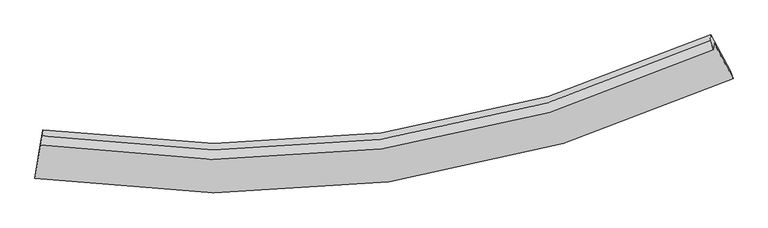
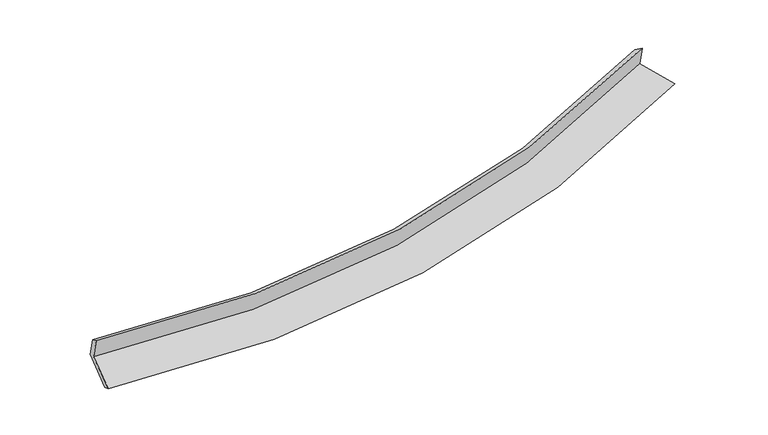
"""IFC4 building model written with IfcOpenShell, lengths in millimetres: proxy geometry."""

import ifcopenshell
import ifcopenshell.guid

model = None  # the IFC model being written
_history = None  # IfcOwnerHistory: only IFC2X3 demands one
_inside = {}  # id of a spatial element -> (the spatial element, [elements in it])
_under = {}  # id of a project, library or spatial element -> (it, [spatial elements below it])
_declared = {}  # id of a project -> (the project, [libraries it declares])
_typed = {}  # id of a type object -> (the type object, [elements of that type])
_made_of = {}  # id of a material, layer set ... -> (it, [elements and type objects made of it])


def new_model(schema):
    """Start an empty IFC model of exactly this schema.

    Asked for "IFC4X3", IfcOpenShell would pick the latest addendum, in which some entities
    have other attributes; the version numbers below select the first issue.
    IFC2X3 requires an IfcOwnerHistory on every rooted entity: one is made here for all.
    """
    global model, _history
    if schema == "IFC4X3":
        model = ifcopenshell.file(schema_version=(4, 3, 0, 0))
    else:
        model = ifcopenshell.file(schema=schema)
    _inside.clear()
    _under.clear()
    _declared.clear()
    _typed.clear()
    _made_of.clear()
    _history = None
    if model.schema == "IFC2X3":
        org = make("IfcOrganization", Name="unknown")
        user = make(
            "IfcPersonAndOrganization",
            ThePerson=make("IfcPerson", FamilyName="unknown"),
            TheOrganization=org,
        )
        app = make(
            "IfcApplication",
            ApplicationDeveloper=org,
            Version="unknown",
            ApplicationFullName="unknown",
            ApplicationIdentifier="unknown",
        )
        _history = make(
            "IfcOwnerHistory",
            OwningUser=user,
            OwningApplication=app,
            ChangeAction="ADDED",
            CreationDate=0,
        )
    return model


def make(cls, **values):
    """One entity of the class cls with the attributes given. An attribute that is None is left unset."""
    return model.create_entity(
        cls, **{name: value for name, value in values.items() if value is not None}
    )


def rooted(cls, **values):
    """An entity with a GlobalId (a new one), such as an element, a storey or a relation."""
    return make(cls, GlobalId=ifcopenshell.guid.new(), OwnerHistory=_history, **values)


def si_unit(unit_type, name, prefix=None):
    """IfcSIUnit, for example si_unit("LENGTHUNIT", "METRE", prefix="MILLI")."""
    return make("IfcSIUnit", UnitType=unit_type, Prefix=prefix, Name=name)


def assignment(units):
    """IfcUnitAssignment: the units of a project."""
    return None if units is None else make("IfcUnitAssignment", Units=units)


def point(xyz):
    """IfcCartesianPoint."""
    return None if xyz is None else make("IfcCartesianPoint", Coordinates=xyz)


def direction(xyz):
    """IfcDirection."""
    return None if xyz is None else make("IfcDirection", DirectionRatios=xyz)


def frame(location, z_axis=None, x_axis=None):
    """IfcAxis2Placement3D, a coordinate frame: its origin and axes. An axis left out is left unset."""
    return make(
        "IfcAxis2Placement3D",
        Location=point(location),
        Axis=direction(z_axis),
        RefDirection=direction(x_axis),
    )


def origin():
    """The frame at (0, 0, 0) with its axes left unset."""
    return frame((0.0, 0.0, 0.0))


def place(relative_to, where):
    """IfcLocalPlacement: puts the frame where relative to a parent placement (None: the world)."""
    return make(
        "IfcLocalPlacement", PlacementRelTo=relative_to, RelativePlacement=where
    )


def context(
    kind, dimensions, precision=None, world=None, true_north=None, identifier=None
):
    """IfcGeometricRepresentationContext, for example the 3D "Model" context."""
    return make(
        "IfcGeometricRepresentationContext",
        ContextIdentifier=identifier,
        ContextType=kind,
        CoordinateSpaceDimension=dimensions,
        Precision=precision,
        WorldCoordinateSystem=world,
        TrueNorth=true_north,
    )


def project(units=None, contexts=None):
    """IfcProject with its units and contexts."""
    return rooted(
        "IfcProject",
        Name="project",
        RepresentationContexts=contexts,
        UnitsInContext=assignment(units),
    )


def spatial(cls, under=None, at=None, **own):
    """A site, building, storey or space (cls), placed at a placement, below another one or the project."""
    s = rooted(cls, ObjectPlacement=at, **own)
    if under is not None:
        _under.setdefault(under.id(), (under, []))[1].append(s)
    return s


def shape(context_of_items, identifier, shape_type, items):
    """IfcShapeRepresentation: the items that make up one representation, for example the "Body"."""
    return make(
        "IfcShapeRepresentation",
        ContextOfItems=context_of_items,
        RepresentationIdentifier=identifier,
        RepresentationType=shape_type,
        Items=items,
    )


def source(mapping_origin, context_of_items, identifier, shape_type, items):
    """IfcRepresentationMap: a shape defined once, which mapped items show again and again."""
    return make(
        "IfcRepresentationMap",
        MappingOrigin=mapping_origin,
        MappedRepresentation=shape(context_of_items, identifier, shape_type, items),
    )


def transform(
    local_origin,
    x_axis=None,
    y_axis=None,
    z_axis=None,
    scale=None,
    scale2=None,
    scale3=None,
    uniform=True,
):
    """IfcCartesianTransformationOperator3D, or its non-uniform kind. x_axis, y_axis, z_axis: its Axis1, 2, 3."""
    if uniform:
        return make(
            "IfcCartesianTransformationOperator3D",
            Axis1=direction(x_axis),
            Axis2=direction(y_axis),
            LocalOrigin=point(local_origin),
            Scale=scale,
            Axis3=direction(z_axis),
        )
    return make(
        "IfcCartesianTransformationOperator3DnonUniform",
        Axis1=direction(x_axis),
        Axis2=direction(y_axis),
        LocalOrigin=point(local_origin),
        Scale=scale,
        Axis3=direction(z_axis),
        Scale2=scale2,
        Scale3=scale3,
    )


def mapped(mapping_source, mapping_target):
    """IfcMappedItem: shows the shape of a source again, moved by a transform."""
    return make(
        "IfcMappedItem", MappingSource=mapping_source, MappingTarget=mapping_target
    )


def made_of(thing, what):
    """Note that an element or type object is made of a material, layer set ...; save() writes the relation."""
    if what is not None:
        _made_of.setdefault(what.id(), (what, []))[1].append(thing)
    return thing


def element(
    cls,
    number,
    at=None,
    inside=None,
    cuts=None,
    type_object=None,
    material=None,
    context=None,
    identifier="Body",
    shape_type=None,
    held_by="IfcProductDefinitionShape",
    body=None,
    shapes=None,
    **own,
):
    """One element of the class cls, such as IfcWall. Its Tag is "e" and its number.

    at: its placement. inside: the storey or other place that contains it. cuts: it is an
    opening in that element (IfcRelVoidsElement). A single representation is given by context,
    identifier, shape_type and body (its items); several are given by shapes. held_by: the class
    of the entity that holds the representations. save() writes the other relations.
    """
    e = rooted(cls, Tag="e%d" % number, ObjectPlacement=at, **own)
    if body is not None:
        shapes = [shape(context, identifier, shape_type, body)]
    if shapes is not None:
        e.Representation = make(held_by, Representations=shapes)
    if inside is not None:
        _inside.setdefault(inside.id(), (inside, []))[1].append(e)
    if cuts is not None:
        rooted(
            "IfcRelVoidsElement", RelatingBuildingElement=cuts, RelatedOpeningElement=e
        )
    if type_object is not None:
        _typed.setdefault(type_object.id(), (type_object, []))[1].append(e)
    return made_of(e, material)


def aggregate(whole, parts):
    """IfcRelAggregates: a whole, such as a stair, and the parts it consists of."""
    return rooted("IfcRelAggregates", RelatingObject=whole, RelatedObjects=parts)


def save(model, path):
    """Write the relations noted so far, then the file.

    IfcRelAggregates (storeys below a building ...), IfcRelContainedInSpatialStructure (elements
    in a storey), IfcRelDefinesByType, IfcRelAssociatesMaterial and IfcRelDeclares: one each for
    every whole, place, type object, material and project.
    """
    for whole, parts in _under.values():
        aggregate(whole, parts)
    for where, things in _inside.values():
        rooted(
            "IfcRelContainedInSpatialStructure",
            RelatedElements=things,
            RelatingStructure=where,
        )
    for kind, things in _typed.values():
        rooted("IfcRelDefinesByType", RelatedObjects=things, RelatingType=kind)
    for what, things in _made_of.values():
        rooted("IfcRelAssociatesMaterial", RelatedObjects=things, RelatingMaterial=what)
    for by, libraries in _declared.values():
        rooted("IfcRelDeclares", RelatingContext=by, RelatedDefinitions=libraries)
    model.write(path)


def plane_surface(at):
    """IfcPlane: the flat surface through the origin of the frame at, square to its z axis."""
    return make("IfcPlane", Position=at)


def spline_curve(degree, points, multiplicities, knots, weights=None):
    """IfcBSplineCurveWithKnots; with weights, IfcRationalBSplineCurveWithKnots."""
    own = dict(
        Degree=degree,
        ControlPointsList=[point(p) for p in points],
        CurveForm="UNSPECIFIED",
        ClosedCurve=False,
        SelfIntersect=False,
        KnotMultiplicities=multiplicities,
        Knots=knots,
        KnotSpec="UNSPECIFIED",
    )
    if weights is None:
        return make("IfcBSplineCurveWithKnots", **own)
    return make("IfcRationalBSplineCurveWithKnots", WeightsData=weights, **own)


def spline_surface(u_degree, v_degree, points, u_multiplicities, v_multiplicities, u_knots, v_knots, weights=None):
    """IfcBSplineSurfaceWithKnots; with weights, IfcRationalBSplineSurfaceWithKnots. points: one row for each step in u."""
    own = dict(
        UDegree=u_degree,
        VDegree=v_degree,
        ControlPointsList=[[point(p) for p in row] for row in points],
        SurfaceForm="UNSPECIFIED",
        UClosed=False,
        VClosed=False,
        SelfIntersect=False,
        UMultiplicities=u_multiplicities,
        VMultiplicities=v_multiplicities,
        UKnots=u_knots,
        VKnots=v_knots,
        KnotSpec="UNSPECIFIED",
    )
    if weights is None:
        return make("IfcBSplineSurfaceWithKnots", **own)
    return make("IfcRationalBSplineSurfaceWithKnots", WeightsData=weights, **own)


def advanced_brep(points, edges, surfaces, faces):
    """IfcAdvancedBrep: a solid bounded by faces that lie on surfaces and meet in shared edges.

    An edge is (start, end): straight between two places in points (the first is 0);
    or (start, end, curve); or (start, end, curve, False) where it runs against its curve.
    A face is (place in surfaces, loops), or (place, loops, False) where it looks against
    its surface's normal. A loop lists edges by number (the first is 1), with a minus sign
    where the edge is run from its end to its start. The first loop is the outer one.
    """
    corners = [point(p) for p in points]
    vertices = [make("IfcVertexPoint", VertexGeometry=c) for c in corners]
    made = []
    for start, end, *more in edges:
        made.append(
            make(
                "IfcEdgeCurve",
                EdgeStart=vertices[start],
                EdgeEnd=vertices[end],
                EdgeGeometry=more[0] if more else make("IfcPolyline", Points=[corners[start], corners[end]]),
                SameSense=more[1] if len(more) > 1 else True,
            )
        )
    hull = []
    for where, loops, *sense in faces:
        bounds = []
        for j, loop in enumerate(loops):
            ring = [make("IfcOrientedEdge", EdgeElement=made[abs(k) - 1], Orientation=k > 0) for k in loop]
            bounds.append(
                make(
                    "IfcFaceOuterBound" if j == 0 else "IfcFaceBound",
                    Bound=make("IfcEdgeLoop", EdgeList=ring),
                    Orientation=True,
                )
            )
        hull.append(make("IfcAdvancedFace", Bounds=bounds, FaceSurface=surfaces[where], SameSense=sense[0] if sense else True))
    return make("IfcAdvancedBrep", Outer=make("IfcClosedShell", CfsFaces=hull))


def generic_models_414c61b4(model_context):
    return source(origin(), model_context, "Body", "AdvancedBrep", [
        advanced_brep(
        [(-5507.8126573, -1974.5588353, 1539.5906499), (-5611.5593312, -2624.4499346, 1349.7993173), (5707.5037648, -1005.5635864, 2313.1205131), (5399.6651034, -426.177369, 2465.5344738), (-5523.5952107, -2081.9518213, 1915.9573265), (5384.3106562, -530.657291, 2831.6921018), (-5500.95643, -1937.755664, 1844.1768846), (5333.7045539, -391.2099665, 2737.9240611), (-5486.5846077, -1839.9620511, 1501.4519221), (5348.1663007, -292.8044586, 2393.0546673), (-5588.6772622, -2478.7774088, 1280.7278446), (5657.5532096, -870.4519033, 2227.3664044)],
        [
            (0, 1),
            (1, 2, spline_curve(3, [(-5611.5593312, -2624.4499346, 1349.7993173), (-3653.826721153, -2921.730454752, 1376.583301994), (-1741.316712456, -2939.929170098, 1468.685351825), (2033.683591201, -2412.515049972, 1786.933620484), (3894.194614999, -1854.687552482, 2015.938635557), (5707.5037648, -1005.5635864, 2313.1205131)], [4, 2, 4], [0.0, 18.5016471208041, 37.403842209263345])),
            (2, 3),
            (3, 0, spline_curve(3, [(5399.6651034, -426.177369, 2465.5344738), (3651.83630397, -1247.974680522, 2178.895873345), (1858.752154105, -1786.283251819, 1958.287892857), (-1778.971416802, -2290.523138261, 1652.408751897), (-3621.713187088, -2268.341722674, 1564.368790856), (-5507.8126573, -1974.5588353, 1539.5906499)], [4, 2, 4], [0.0, 18.902195088459244, 37.403842209263345])),
            (4, 0),
            (3, 5),
            (5, 4, spline_curve(3, [(5384.3106562, -530.657291, 2831.6921018), (3636.155369995, -1354.676195955, 2552.83923805), (1842.87328048, -1894.33165024, 2336.95151106), (-1794.98760135, -2399.505879805, 2034.346844602), (-3637.674134691, -2376.948601922, 1944.989646344), (-5523.5952107, -2081.9518213, 1915.9573265)], [4, 2, 4], [0.0, 18.55280408922581, 36.71246399929855])),
            (6, 4),
            (5, 7),
            (7, 6, spline_curve(3, [(5333.7045539, -391.2099665, 2737.9240611), (3597.0022439, -1203.828622731, 2456.90740188), (1815.620486493, -1737.440736518, 2241.821115724), (-1797.806676867, -2241.256648395, 1946.66998715), (-3627.978580285, -2223.15976665, 1863.840547381), (-5500.95643, -1937.755664, 1844.1768846)], [4, 2, 4], [0.0, 18.48824604126271, 36.58471592411208])),
            (8, 6),
            (7, 9),
            (9, 8, spline_curve(3, [(5348.1663007, -292.8044586, 2393.0546673), (3612.291547985, -1099.791969871, 2092.303243331), (1831.311482907, -1630.670751992, 1867.6377933), (-1782.163512459, -2134.812139686, 1573.627319995), (-3612.767083519, -2119.652555298, 1501.091855701), (-5486.5846077, -1839.9620511, 1501.4519221)], [4, 2, 4], [0.0, 18.42338593909466, 36.456370141211366])),
            (10, 8),
            (9, 11),
            (11, 10, spline_curve(3, [(5657.5532096, -870.4519033, 2227.3664044), (3854.889572935, -1706.051969606, 1928.471592882), (2005.844378193, -2256.290910057, 1700.039436797), (-1744.843986842, -2780.433629785, 1387.447894706), (-3644.542282517, -2766.30319189, 1300.333864805), (-5588.6772622, -2478.7774088, 1280.7278446)], [4, 2, 4], [0.0, 18.772287077741957, 37.146779010420616])),
            (1, 10),
            (11, 2),
        ],
        [
            spline_surface(3, 3, [[(-5507.8126573, -1974.5588353, 1539.5906499), (-3621.713186815, -2268.341722914, 1564.368791011), (-1778.971416667, -2290.523138379, 1652.408751913), (1858.752153967, -1786.283251699, 1958.287892841), (3651.836304, -1247.974680797, 2178.895873272), (5399.6651034, -426.177369, 2465.5344738)], [(-5542.394881905, -2191.189201721, 1476.326872351), (-3632.417698189, -2486.137966866, 1501.77362795), (-1766.419848689, -2506.991815567, 1591.167618585), (1917.062633108, -1995.027184503, 1901.169802056), (3732.622407703, -1450.212304605, 2124.576794087), (5502.277990537, -619.306108142, 2414.729820249)], [(-5576.977106595, -2407.819568179, 1413.063094849), (-3643.122209649, -2703.934210854, 1439.178464935), (-1753.868280664, -2723.460492765, 1529.926485202), (1975.373112296, -2203.771117317, 1844.051711218), (3813.408511396, -1652.449928388, 2070.257714854), (5604.890877663, -812.434847258, 2363.925166651)], [(-5611.5593312, -2624.4499346, 1349.7993173), (-3653.826721023, -2921.730454806, 1376.583301874), (-1741.316712686, -2939.929169952, 1468.685351874), (2033.683591437, -2412.515050121, 1786.933620433), (3894.194615099, -1854.687552196, 2015.938635669), (5707.5037648, -1005.5635864, 2313.1205131)]], [4, 4], [4, 2, 4], [0.0, 2.1998236365554042], [0.0, 18.5016471208041, 37.403842209263345]),
            spline_surface(3, 3, [[(-5523.5952107, -2081.9518213, 1915.9573265), (-3637.674134871, -2376.948602155, 1944.989646417), (-1794.987601617, -2399.505879838, 2034.346844423), (1842.873280753, -1894.331650205, 2336.951511244), (3636.155369846, -1354.676195729, 2552.839238311), (5384.3106562, -530.657291, 2831.6921018)], [(-5518.3343596, -2046.154159315, 1790.501767655), (-3632.353818885, -2340.74630909, 1818.11602797), (-1789.648873298, -2363.178299343, 1907.034146893), (1848.166238494, -1858.315517361, 2210.730305083), (3641.382347913, -1319.109024089, 2428.191449956), (5389.428805283, -495.830650337, 2709.639559125)], [(-5513.0735084, -2010.356497285, 1665.046208745), (-3627.0335028, -2304.544015979, 1691.242409458), (-1784.310144986, -2326.850718874, 1779.721449443), (1853.459196226, -1822.299384543, 2084.509099001), (3646.609325933, -1283.541852437, 2303.543661627), (5394.546954317, -461.004009663, 2587.587016475)], [(-5507.8126573, -1974.5588353, 1539.5906499), (-3621.713186815, -2268.341722914, 1564.368791011), (-1778.971416667, -2290.523138379, 1652.408751913), (1858.752153967, -1786.283251699, 1958.287892841), (3651.836304, -1247.974680797, 2178.895873272), (5399.6651034, -426.177369, 2465.5344738)]], [4, 4], [4, 2, 4], [0.0, 1.2984375376353081], [0.0, 18.15965991007274, 36.71246399929855]),
            spline_surface(3, 3, [[(-5500.95643, -1937.755664, 1844.1768846), (-3627.978580436, -2223.159766655, 1863.840547514), (-1797.806676624, -2241.256648273, 1946.669987081), (1815.620486245, -1737.440736643, 2241.821115794), (3597.002243712, -1203.82862255, 2456.907401687), (5333.7045539, -391.2099665, 2737.9240611)], [(-5508.502690213, -1985.821049751, 1868.103698564), (-3631.210431894, -2274.422711806, 1890.890247146), (-1796.866984938, -2294.006392113, 1975.895606223), (1824.704751098, -1789.737707815, 2273.531247638), (3610.053285744, -1254.111146953, 2488.884680552), (5350.573254654, -437.69240801, 2769.180074657)], [(-5516.048950487, -2033.886435549, 1892.030512536), (-3634.442283413, -2325.685657004, 1917.939946786), (-1795.927293303, -2346.756135998, 2005.121225281), (1833.789015901, -1842.034679033, 2305.241379399), (3623.104327814, -1304.393671326, 2520.861959445), (5367.441955446, -484.17484949, 2800.436088243)], [(-5523.5952107, -2081.9518213, 1915.9573265), (-3637.674134871, -2376.948602155, 1944.989646417), (-1794.987601617, -2399.505879838, 2034.346844423), (1842.873280753, -1894.331650205, 2336.951511244), (3636.155369846, -1354.676195729, 2552.839238311), (5384.3106562, -530.657291, 2831.6921018)]], [4, 4], [4, 2, 4], [0.0, 0.5998307190926389], [0.0, 18.096469882849373, 36.58471592411208]),
            spline_surface(3, 3, [[(-5486.5846077, -1839.9620511, 1501.4519221), (-3612.76708343, -2119.652555187, 1501.091855483), (-1782.163512331, -2134.812139796, 1573.627320168), (1831.311482775, -1630.67075188, 1867.637793123), (3612.291547758, -1099.791969804, 2092.303243535), (5348.1663007, -292.8044586, 2393.0546673)], [(-5491.375215126, -1872.559922069, 1615.693576244), (-3617.837582425, -2154.154959012, 1622.008086137), (-1787.377900445, -2170.29364262, 1697.974875809), (1826.081150582, -1666.260746799, 1992.36556735), (3607.195113067, -1134.470854059, 2213.837962932), (5343.345718425, -325.606294573, 2508.011131913)], [(-5496.165822574, -1905.157793031, 1729.935230456), (-3622.908081441, -2188.65736283, 1742.92431686), (-1792.59228851, -2205.775145449, 1822.32243144), (1820.850818439, -1701.850741724, 2117.093341567), (3602.098678403, -1169.149738295, 2335.37268229), (5338.525136175, -358.408130527, 2622.967596487)], [(-5500.95643, -1937.755664, 1844.1768846), (-3627.978580436, -2223.159766655, 1863.840547514), (-1797.806676624, -2241.256648273, 1946.669987081), (1815.620486245, -1737.440736643, 2241.821115794), (3597.002243712, -1203.82862255, 2456.907401687), (5333.7045539, -391.2099665, 2737.9240611)]], [4, 4], [4, 2, 4], [0.0, 1.2757547122383526], [0.0, 18.032984202116705, 36.456370141211366]),
            spline_surface(3, 3, [[(-5588.6772622, -2478.7774088, 1280.7278446), (-3644.542282687, -2766.303191717, 1300.333864592), (-1744.843986915, -2780.433629963, 1387.447894816), (2005.844378268, -2256.290909875, 1700.039436684), (3854.889573111, -1706.051969789, 1928.471593053), (5657.5532096, -870.4519033, 2227.3664044)], [(-5554.64637738, -2265.838956253, 1354.302537111), (-3633.950549615, -2550.75297956, 1367.2531949), (-1757.283828714, -2565.226466596, 1449.507703264), (1947.666746443, -2047.750857232, 1755.905555494), (3774.023564681, -1503.965303127, 1983.082143206), (5554.424239987, -677.902755067, 2282.595825359)], [(-5520.61549252, -2052.900503647, 1427.877229589), (-3623.358816502, -2335.202767344, 1434.172525174), (-1769.723670532, -2350.019303163, 1511.56751172), (1889.4891146, -1839.210804523, 1811.771674313), (3693.157556189, -1301.878636465, 2037.692693382), (5451.295270313, -485.353606833, 2337.825246341)], [(-5486.5846077, -1839.9620511, 1501.4519221), (-3612.76708343, -2119.652555187, 1501.091855483), (-1782.163512331, -2134.812139796, 1573.627320168), (1831.311482775, -1630.67075188, 1867.637793123), (3612.291547758, -1099.791969804, 2092.303243535), (5348.1663007, -292.8044586, 2393.0546673)]], [4, 4], [4, 2, 4], [0.0, 2.192257480043333], [0.0, 18.37449193267866, 37.146779010420616]),
            spline_surface(3, 3, [[(-5611.5593312, -2624.4499346, 1349.7993173), (-3653.826721023, -2921.730454806, 1376.583301874), (-1741.316712686, -2939.929169952, 1468.685351874), (2033.683591437, -2412.515050121, 1786.933620433), (3894.194615099, -1854.687552196, 2015.938635669), (5707.5037648, -1005.5635864, 2313.1205131)], [(-5603.931974876, -2575.892425991, 1326.775493075), (-3650.731908254, -2869.9213671, 1351.166822788), (-1742.492470757, -2886.763989963, 1441.606199501), (2024.40385372, -2360.440336713, 1757.968892497), (3881.092934418, -1805.142358031, 1986.782954793), (5690.853579715, -960.526358671, 2284.535810197)], [(-5596.304618524, -2527.334917409, 1303.751668825), (-3647.637095456, -2818.112279422, 1325.750343678), (-1743.668228845, -2833.598809953, 1414.527047189), (2015.124115985, -2308.365623283, 1729.004164621), (3867.991253792, -1755.597163954, 1957.627273928), (5674.203394685, -915.489131029, 2255.951107303)], [(-5588.6772622, -2478.7774088, 1280.7278446), (-3644.542282687, -2766.303191717, 1300.333864592), (-1744.843986915, -2780.433629963, 1387.447894816), (2005.844378268, -2256.290909875, 1700.039436684), (3854.889573111, -1706.051969789, 1928.471593053), (5657.5532096, -870.4519033, 2227.3664044)]], [4, 4], [4, 2, 4], [0.0, 0.5890852817258364], [0.0, 18.779949030076896, 37.96647107322386]),
            plane_surface(frame((5471.8172648, -586.1440958, 2494.7820369), z_axis=(0.8885370326864034, 0.4300166083042465, 0.15996142699836657), x_axis=(-0.040291752088005894, -0.2741667639987186, 0.9608377387634968))),
            plane_surface(frame((-5536.5309165, -2156.2426192, 1571.9506575), z_axis=(-0.9876405861870875, 0.15670098446133732, 0.003297572573035104), x_axis=(0.15146830437324338, 0.9488294825664386, 0.27709198072661556))),
        ],
        [
            (0, [[1, 2, 3, 4]]),
            (1, [[5, -4, 6, 7]]),
            (2, [[8, -7, 9, 10]]),
            (3, [[11, -10, 12, 13]]),
            (4, [[14, -13, 15, 16]]),
            (5, [[17, -16, 18, -2]]),
            (6, [[-12, -9, -6, -3, -18, -15]]),
            (7, [[-1, -5, -8, -11, -14, -17]]),
        ],
    ),
    ])


if __name__ == "__main__":
    model = new_model("IFC4")
    model_context = context("Model", 3, world=origin())
    ifc_project = project(units=[si_unit("LENGTHUNIT", "METRE", prefix="MILLI")], contexts=[model_context])
    site = spatial("IfcSite", under=ifc_project)
    building = spatial("IfcBuilding", under=site)
    placement = place(None, origin())
    generic_models_shape = generic_models_414c61b4(model_context)
    element("IfcBuildingElementProxy", 1, Name="Generic Models", at=placement, inside=building, context=model_context, shape_type="MappedRepresentation", body=[
        mapped(generic_models_shape, transform((0.0, 0.0, 0.0), x_axis=(1.0, 0.0, 0.0), y_axis=(0.0, 1.0, 0.0), z_axis=(0.0, 0.0, 1.0))),
    ])
    save(model, "model.ifc")
